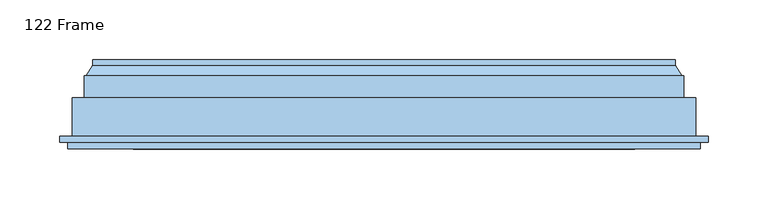
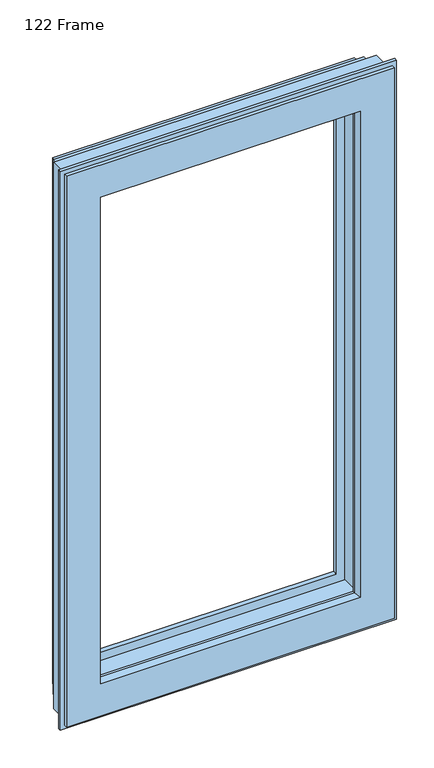
"""IFC4 building model written with IfcOpenShell, lengths in millimetres: window geometry, 122 Frame."""

import ifcopenshell
import ifcopenshell.guid

model = None  # the IFC model being written
_history = None  # IfcOwnerHistory: only IFC2X3 demands one
_inside = {}  # id of a spatial element -> (the spatial element, [elements in it])
_under = {}  # id of a project, library or spatial element -> (it, [spatial elements below it])
_declared = {}  # id of a project -> (the project, [libraries it declares])
_typed = {}  # id of a type object -> (the type object, [elements of that type])
_made_of = {}  # id of a material, layer set ... -> (it, [elements and type objects made of it])


def new_model(schema):
    """Start an empty IFC model of exactly this schema.

    Asked for "IFC4X3", IfcOpenShell would pick the latest addendum, in which some entities
    have other attributes; the version numbers below select the first issue.
    IFC2X3 requires an IfcOwnerHistory on every rooted entity: one is made here for all.
    """
    global model, _history
    if schema == "IFC4X3":
        model = ifcopenshell.file(schema_version=(4, 3, 0, 0))
    else:
        model = ifcopenshell.file(schema=schema)
    _inside.clear()
    _under.clear()
    _declared.clear()
    _typed.clear()
    _made_of.clear()
    _history = None
    if model.schema == "IFC2X3":
        org = make("IfcOrganization", Name="unknown")
        user = make(
            "IfcPersonAndOrganization",
            ThePerson=make("IfcPerson", FamilyName="unknown"),
            TheOrganization=org,
        )
        app = make(
            "IfcApplication",
            ApplicationDeveloper=org,
            Version="unknown",
            ApplicationFullName="unknown",
            ApplicationIdentifier="unknown",
        )
        _history = make(
            "IfcOwnerHistory",
            OwningUser=user,
            OwningApplication=app,
            ChangeAction="ADDED",
            CreationDate=0,
        )
    return model


def make(cls, **values):
    """One entity of the class cls with the attributes given. An attribute that is None is left unset."""
    return model.create_entity(
        cls, **{name: value for name, value in values.items() if value is not None}
    )


def rooted(cls, **values):
    """An entity with a GlobalId (a new one), such as an element, a storey or a relation."""
    return make(cls, GlobalId=ifcopenshell.guid.new(), OwnerHistory=_history, **values)


def si_unit(unit_type, name, prefix=None):
    """IfcSIUnit, for example si_unit("LENGTHUNIT", "METRE", prefix="MILLI")."""
    return make("IfcSIUnit", UnitType=unit_type, Prefix=prefix, Name=name)


def assignment(units):
    """IfcUnitAssignment: the units of a project."""
    return None if units is None else make("IfcUnitAssignment", Units=units)


def point(xyz):
    """IfcCartesianPoint."""
    return None if xyz is None else make("IfcCartesianPoint", Coordinates=xyz)


def direction(xyz):
    """IfcDirection."""
    return None if xyz is None else make("IfcDirection", DirectionRatios=xyz)


def frame(location, z_axis=None, x_axis=None):
    """IfcAxis2Placement3D, a coordinate frame: its origin and axes. An axis left out is left unset."""
    return make(
        "IfcAxis2Placement3D",
        Location=point(location),
        Axis=direction(z_axis),
        RefDirection=direction(x_axis),
    )


def origin():
    """The frame at (0, 0, 0) with its axes left unset."""
    return frame((0.0, 0.0, 0.0))


def place(relative_to, where):
    """IfcLocalPlacement: puts the frame where relative to a parent placement (None: the world)."""
    return make(
        "IfcLocalPlacement", PlacementRelTo=relative_to, RelativePlacement=where
    )


def context(
    kind, dimensions, precision=None, world=None, true_north=None, identifier=None
):
    """IfcGeometricRepresentationContext, for example the 3D "Model" context."""
    return make(
        "IfcGeometricRepresentationContext",
        ContextIdentifier=identifier,
        ContextType=kind,
        CoordinateSpaceDimension=dimensions,
        Precision=precision,
        WorldCoordinateSystem=world,
        TrueNorth=true_north,
    )


def project(units=None, contexts=None):
    """IfcProject with its units and contexts."""
    return rooted(
        "IfcProject",
        Name="project",
        RepresentationContexts=contexts,
        UnitsInContext=assignment(units),
    )


def spatial(cls, under=None, at=None, **own):
    """A site, building, storey or space (cls), placed at a placement, below another one or the project."""
    s = rooted(cls, ObjectPlacement=at, **own)
    if under is not None:
        _under.setdefault(under.id(), (under, []))[1].append(s)
    return s


def faces_of(points, faces, orient=None, outer=None):
    """IfcFace entities. A face is a list of loops; a loop is a list of indices into points, from 0.

    orient and outer hold one flag for each loop. By default every Orientation is true, the
    first loop of a face is its IfcFaceOuterBound and the others are IfcFaceBound.
    """
    made = []
    for i, loops in enumerate(faces):
        bounds = []
        for j, loop in enumerate(loops):
            is_outer = j == 0 if outer is None else outer[i][j]
            bounds.append(
                make(
                    "IfcFaceOuterBound" if is_outer else "IfcFaceBound",
                    Bound=make("IfcPolyLoop", Polygon=[points[k] for k in loop]),
                    Orientation=True if orient is None else orient[i][j],
                )
            )
        made.append(make("IfcFace", Bounds=bounds))
    return made


def faceted_brep(points, faces, orient=None, outer=None, voids=None):
    """IfcFacetedBrep: a solid bounded by flat faces; with voids (closed shells), ...WithVoids."""
    shared = [point(p) for p in points]
    hull = make("IfcClosedShell", CfsFaces=faces_of(shared, faces, orient, outer))
    if voids is None:
        return make("IfcFacetedBrep", Outer=hull)
    return make(
        "IfcFacetedBrepWithVoids",
        Outer=hull,
        Voids=[
            make(cls, CfsFaces=faces_of(shared, fs, o, b)) for cls, fs, o, b in voids
        ],
    )


def shape(context_of_items, identifier, shape_type, items):
    """IfcShapeRepresentation: the items that make up one representation, for example the "Body"."""
    return make(
        "IfcShapeRepresentation",
        ContextOfItems=context_of_items,
        RepresentationIdentifier=identifier,
        RepresentationType=shape_type,
        Items=items,
    )


def source(mapping_origin, context_of_items, identifier, shape_type, items):
    """IfcRepresentationMap: a shape defined once, which mapped items show again and again."""
    return make(
        "IfcRepresentationMap",
        MappingOrigin=mapping_origin,
        MappedRepresentation=shape(context_of_items, identifier, shape_type, items),
    )


def transform(
    local_origin,
    x_axis=None,
    y_axis=None,
    z_axis=None,
    scale=None,
    scale2=None,
    scale3=None,
    uniform=True,
):
    """IfcCartesianTransformationOperator3D, or its non-uniform kind. x_axis, y_axis, z_axis: its Axis1, 2, 3."""
    if uniform:
        return make(
            "IfcCartesianTransformationOperator3D",
            Axis1=direction(x_axis),
            Axis2=direction(y_axis),
            LocalOrigin=point(local_origin),
            Scale=scale,
            Axis3=direction(z_axis),
        )
    return make(
        "IfcCartesianTransformationOperator3DnonUniform",
        Axis1=direction(x_axis),
        Axis2=direction(y_axis),
        LocalOrigin=point(local_origin),
        Scale=scale,
        Axis3=direction(z_axis),
        Scale2=scale2,
        Scale3=scale3,
    )


def mapped(mapping_source, mapping_target):
    """IfcMappedItem: shows the shape of a source again, moved by a transform."""
    return make(
        "IfcMappedItem", MappingSource=mapping_source, MappingTarget=mapping_target
    )


def made_of(thing, what):
    """Note that an element or type object is made of a material, layer set ...; save() writes the relation."""
    if what is not None:
        _made_of.setdefault(what.id(), (what, []))[1].append(thing)
    return thing


def element(
    cls,
    number,
    at=None,
    inside=None,
    cuts=None,
    type_object=None,
    material=None,
    context=None,
    identifier="Body",
    shape_type=None,
    held_by="IfcProductDefinitionShape",
    body=None,
    shapes=None,
    **own,
):
    """One element of the class cls, such as IfcWall. Its Tag is "e" and its number.

    at: its placement. inside: the storey or other place that contains it. cuts: it is an
    opening in that element (IfcRelVoidsElement). A single representation is given by context,
    identifier, shape_type and body (its items); several are given by shapes. held_by: the class
    of the entity that holds the representations. save() writes the other relations.
    """
    e = rooted(cls, Tag="e%d" % number, ObjectPlacement=at, **own)
    if body is not None:
        shapes = [shape(context, identifier, shape_type, body)]
    if shapes is not None:
        e.Representation = make(held_by, Representations=shapes)
    if inside is not None:
        _inside.setdefault(inside.id(), (inside, []))[1].append(e)
    if cuts is not None:
        rooted(
            "IfcRelVoidsElement", RelatingBuildingElement=cuts, RelatedOpeningElement=e
        )
    if type_object is not None:
        _typed.setdefault(type_object.id(), (type_object, []))[1].append(e)
    return made_of(e, material)


def aggregate(whole, parts):
    """IfcRelAggregates: a whole, such as a stair, and the parts it consists of."""
    return rooted("IfcRelAggregates", RelatingObject=whole, RelatedObjects=parts)


def save(model, path):
    """Write the relations noted so far, then the file.

    IfcRelAggregates (storeys below a building ...), IfcRelContainedInSpatialStructure (elements
    in a storey), IfcRelDefinesByType, IfcRelAssociatesMaterial and IfcRelDeclares: one each for
    every whole, place, type object, material and project.
    """
    for whole, parts in _under.values():
        aggregate(whole, parts)
    for where, things in _inside.values():
        rooted(
            "IfcRelContainedInSpatialStructure",
            RelatedElements=things,
            RelatingStructure=where,
        )
    for kind, things in _typed.values():
        rooted("IfcRelDefinesByType", RelatedObjects=things, RelatingType=kind)
    for what, things in _made_of.values():
        rooted("IfcRelAssociatesMaterial", RelatedObjects=things, RelatingMaterial=what)
    for by, libraries in _declared.values():
        rooted("IfcRelDeclares", RelatingContext=by, RelatedDefinitions=libraries)
    model.write(path)


def window_122_frame_1941b4fa(model_context):
    return source(origin(), model_context, "Body", "Brep", [
        faceted_brep([(-43.2001533, 153.0, 1768.7998467), (-43.2001533, 148.4070391, 1768.7998467), (-43.2001533, 148.4070391, 867.6001533), (-43.2001533, 153.0, 867.6001533), (-37.9260611, 139.5531262, 1774.0739389), (-37.9260611, 139.5531262, 862.3260611), (-532.3998467, 148.4070391, 867.6001533), (-532.3998467, 153.0, 867.6001533), (-532.3998467, 153.0, 1768.7998467), (-76.3433832, 153.0, 1735.6566168), (-499.2566168, 153.0, 1735.6566168), (-499.2566168, 153.0, 900.7433832), (-76.3433832, 153.0, 900.7433832), (-36.0866045, 139.5531262, 860.4866045), (-539.5133955, 139.5531262, 860.4866045), (-539.5133955, 139.5531262, 1775.9133955), (-36.0866045, 139.5531262, 1775.9133955), (-537.6739389, 139.5531262, 1774.0739389), (-537.6739389, 139.5531262, 862.3260611), (-36.0866045, 121.0, 1775.9133955), (-36.0866045, 121.0, 860.4866045), (-26.0866045, 121.0, 850.4866045), (-549.5133955, 121.0, 850.4866045), (-549.5133955, 121.0, 1785.9133955), (-26.0866045, 121.0, 1785.9133955), (-539.5133955, 121.0, 1775.9133955), (-539.5133955, 121.0, 860.4866045), (-26.0866045, 88.5, 1785.9133955), (-26.0866045, 88.5, 850.4866045), (-15.3023, 88.5, 839.7023001), (-560.2977, 88.5, 839.7023001), (-560.2977, 88.5, 1796.6977), (-15.3023, 88.5, 1796.6977), (-549.5133955, 88.5, 1785.9133955), (-549.5133955, 88.5, 850.4866045), (-15.3023, 83.5, 1796.6977), (-15.3023, 83.5, 839.7023001), (-560.2977, 83.5, 1796.6977), (-560.2977, 83.5, 839.7023001), (-22.1, 83.5, 846.5), (-553.5, 83.5, 846.5), (-553.5, 83.5, 1789.9), (-22.1, 83.5, 1789.9), (-22.1, 78.0, 1789.9), (-22.1, 78.0, 846.5), (-553.5, 78.0, 1789.9), (-553.5, 78.0, 846.5), (-77.2842184, 78.0, 901.6842184), (-498.3157816, 78.0, 901.6842184), (-498.3157816, 78.0, 1734.7157816), (-77.2842184, 78.0, 1734.7157816), (-79.5996933, 88.8934531, 1732.4003067), (-79.5996933, 88.8934531, 903.9996933), (-79.5996933, 93.0, 1732.4003067), (-79.5996933, 93.0, 903.9996933), (-496.0003067, 88.8934531, 903.9996933), (-65.6, 93.0, 890.0), (-510.0, 93.0, 890.0), (-510.0, 93.0, 1746.4), (-65.6, 93.0, 1746.4), (-496.0003067, 93.0, 1732.4003067), (-496.0003067, 93.0, 903.9996933), (-65.6, 141.0, 1746.4), (-65.6, 141.0, 890.0), (-510.0, 141.0, 1746.4), (-510.0, 141.0, 890.0), (-80.0121514, 141.0, 904.4121514), (-495.5878486, 141.0, 904.4121514), (-495.5878486, 141.0, 1731.9878486), (-80.0121514, 141.0, 1731.9878486), (-532.3998467, 148.4070391, 1768.7998467), (-496.0003067, 88.8934531, 1732.4003067)], [[[0, 1, 2, 3]], [[1, 4, 5, 2]], [[3, 2, 6, 7]], [[3, 7, 8, 0], [9, 10, 11, 12]], [[13, 14, 15, 16], [4, 17, 18, 5]], [[2, 5, 18, 6]], [[16, 19, 20, 13]], [[21, 22, 23, 24], [19, 25, 26, 20]], [[13, 20, 26, 14]], [[24, 27, 28, 21]], [[29, 30, 31, 32], [27, 33, 34, 28]], [[21, 28, 34, 22]], [[32, 35, 36, 29]], [[35, 37, 38, 36], [39, 40, 41, 42]], [[29, 36, 38, 30]], [[42, 43, 44, 39]], [[43, 45, 46, 44], [47, 48, 49, 50]], [[39, 44, 46, 40]], [[50, 51, 52, 47]], [[51, 53, 54, 52]], [[47, 52, 55, 48]], [[56, 57, 58, 59], [53, 60, 61, 54]], [[52, 54, 61, 55]], [[59, 62, 63, 56]], [[62, 64, 65, 63], [66, 67, 68, 69]], [[56, 63, 65, 57]], [[69, 9, 12, 66]], [[66, 12, 11, 67]], [[7, 6, 70, 8]], [[6, 18, 17, 70]], [[14, 26, 25, 15]], [[22, 34, 33, 23]], [[30, 38, 37, 31]], [[40, 46, 45, 41]], [[48, 55, 71, 49]], [[55, 61, 60, 71]], [[57, 65, 64, 58]], [[67, 11, 10, 68]], [[8, 70, 1, 0]], [[70, 17, 4, 1]], [[15, 25, 19, 16]], [[23, 33, 27, 24]], [[31, 37, 35, 32]], [[41, 45, 43, 42]], [[49, 71, 51, 50]], [[71, 60, 53, 51]], [[58, 64, 62, 59]], [[68, 10, 9, 69]]]),
    ])


if __name__ == "__main__":
    model = new_model("IFC4")
    model_context = context("Model", 3, world=origin())
    ifc_project = project(units=[si_unit("LENGTHUNIT", "METRE", prefix="MILLI")], contexts=[model_context])
    site = spatial("IfcSite", under=ifc_project)
    building = spatial("IfcBuilding", under=site)
    placement = place(None, origin())
    window_122_frame_shape = window_122_frame_1941b4fa(model_context)
    element("IfcWindow", 1, ObjectType="122 Frame", at=placement, inside=building, context=model_context, shape_type="MappedRepresentation", body=[
        mapped(window_122_frame_shape, transform((0.0, 0.0, 0.0), x_axis=(1.0, 0.0, 0.0), y_axis=(0.0, 1.0, 0.0), z_axis=(0.0, 0.0, 1.0))),
    ])
    save(model, "model.ifc")
